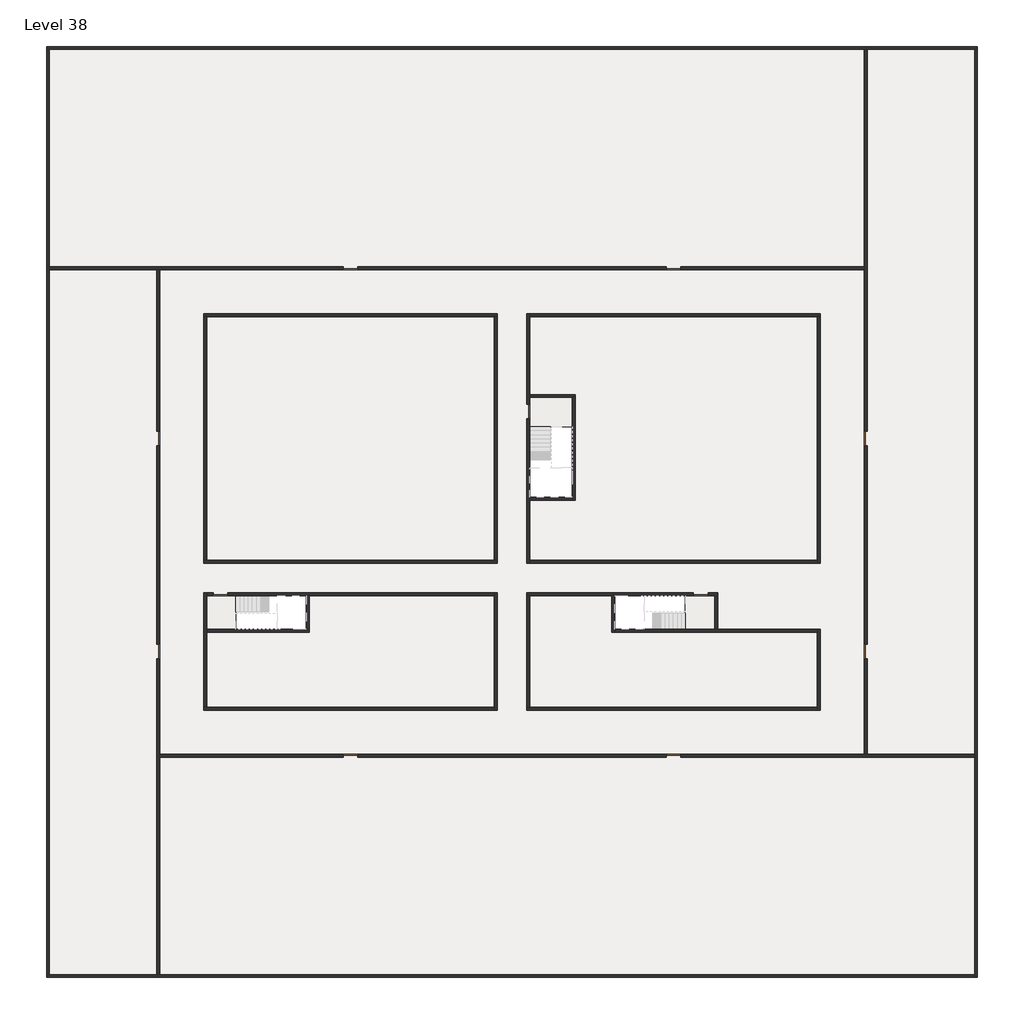
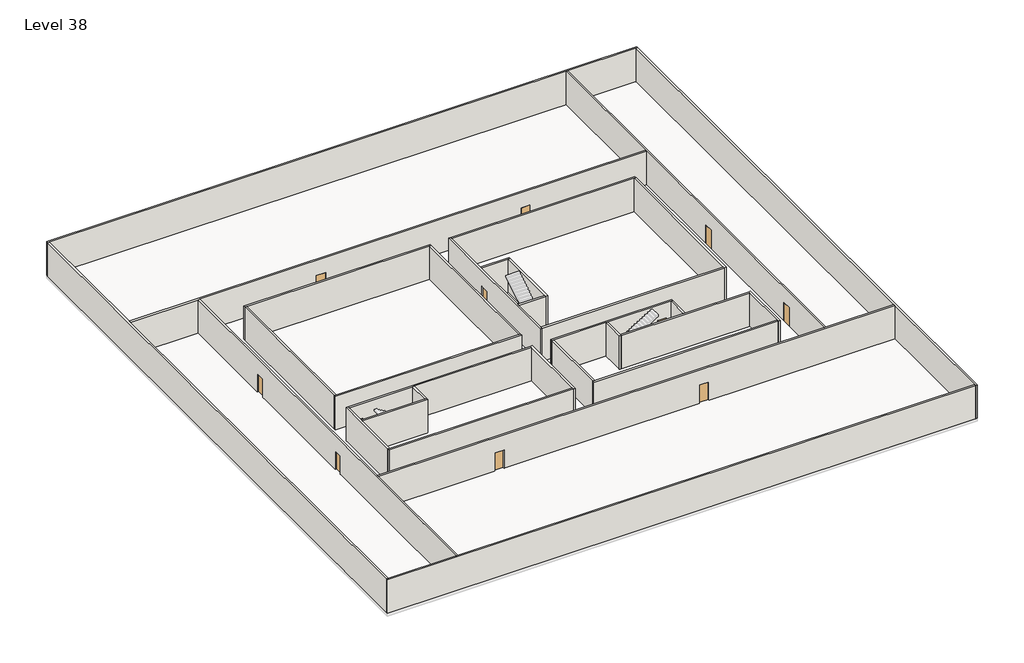
# One storey, part 1 of 2: 32 walls, 11 doors, 1 slab.
"""IFC4 building model written with IfcOpenShell, lengths in millimetres."""

import ifcopenshell
import ifcopenshell.guid

model = None  # the IFC model being written
_history = None  # IfcOwnerHistory: only IFC2X3 demands one
_inside = {}  # id of a spatial element -> (the spatial element, [elements in it])
_under = {}  # id of a project, library or spatial element -> (it, [spatial elements below it])
_declared = {}  # id of a project -> (the project, [libraries it declares])
_typed = {}  # id of a type object -> (the type object, [elements of that type])
_made_of = {}  # id of a material, layer set ... -> (it, [elements and type objects made of it])


def new_model(schema):
    """Start an empty IFC model of exactly this schema.

    Asked for "IFC4X3", IfcOpenShell would pick the latest addendum, in which some entities
    have other attributes; the version numbers below select the first issue.
    IFC2X3 requires an IfcOwnerHistory on every rooted entity: one is made here for all.
    """
    global model, _history
    if schema == "IFC4X3":
        model = ifcopenshell.file(schema_version=(4, 3, 0, 0))
    else:
        model = ifcopenshell.file(schema=schema)
    _inside.clear()
    _under.clear()
    _declared.clear()
    _typed.clear()
    _made_of.clear()
    _history = None
    if model.schema == "IFC2X3":
        org = make("IfcOrganization", Name="unknown")
        user = make(
            "IfcPersonAndOrganization",
            ThePerson=make("IfcPerson", FamilyName="unknown"),
            TheOrganization=org,
        )
        app = make(
            "IfcApplication",
            ApplicationDeveloper=org,
            Version="unknown",
            ApplicationFullName="unknown",
            ApplicationIdentifier="unknown",
        )
        _history = make(
            "IfcOwnerHistory",
            OwningUser=user,
            OwningApplication=app,
            ChangeAction="ADDED",
            CreationDate=0,
        )
    return model


def make(cls, **values):
    """One entity of the class cls with the attributes given. An attribute that is None is left unset."""
    return model.create_entity(
        cls, **{name: value for name, value in values.items() if value is not None}
    )


def rooted(cls, **values):
    """An entity with a GlobalId (a new one), such as an element, a storey or a relation."""
    return make(cls, GlobalId=ifcopenshell.guid.new(), OwnerHistory=_history, **values)


def si_unit(unit_type, name, prefix=None):
    """IfcSIUnit, for example si_unit("LENGTHUNIT", "METRE", prefix="MILLI")."""
    return make("IfcSIUnit", UnitType=unit_type, Prefix=prefix, Name=name)


def assignment(units):
    """IfcUnitAssignment: the units of a project."""
    return None if units is None else make("IfcUnitAssignment", Units=units)


def point(xyz):
    """IfcCartesianPoint."""
    return None if xyz is None else make("IfcCartesianPoint", Coordinates=xyz)


def direction(xyz):
    """IfcDirection."""
    return None if xyz is None else make("IfcDirection", DirectionRatios=xyz)


def frame(location, z_axis=None, x_axis=None):
    """IfcAxis2Placement3D, a coordinate frame: its origin and axes. An axis left out is left unset."""
    return make(
        "IfcAxis2Placement3D",
        Location=point(location),
        Axis=direction(z_axis),
        RefDirection=direction(x_axis),
    )


def origin():
    """The frame at (0, 0, 0) with its axes left unset."""
    return frame((0.0, 0.0, 0.0))


def origin_with_axes():
    """The frame at (0, 0, 0) with the z axis (0, 0, 1) and the x axis (1, 0, 0) written out."""
    return frame((0.0, 0.0, 0.0), z_axis=(0.0, 0.0, 1.0), x_axis=(1.0, 0.0, 0.0))


def place(relative_to, where):
    """IfcLocalPlacement: puts the frame where relative to a parent placement (None: the world)."""
    return make(
        "IfcLocalPlacement", PlacementRelTo=relative_to, RelativePlacement=where
    )


def context(
    kind, dimensions, precision=None, world=None, true_north=None, identifier=None
):
    """IfcGeometricRepresentationContext, for example the 3D "Model" context."""
    return make(
        "IfcGeometricRepresentationContext",
        ContextIdentifier=identifier,
        ContextType=kind,
        CoordinateSpaceDimension=dimensions,
        Precision=precision,
        WorldCoordinateSystem=world,
        TrueNorth=true_north,
    )


def project(units=None, contexts=None):
    """IfcProject with its units and contexts."""
    return rooted(
        "IfcProject",
        Name="project",
        RepresentationContexts=contexts,
        UnitsInContext=assignment(units),
    )


def spatial(cls, under=None, at=None, **own):
    """A site, building, storey or space (cls), placed at a placement, below another one or the project."""
    s = rooted(cls, ObjectPlacement=at, **own)
    if under is not None:
        _under.setdefault(under.id(), (under, []))[1].append(s)
    return s


def polyline(points):
    """IfcPolyline through the points."""
    return make("IfcPolyline", Points=[point(p) for p in points])


def outline(outer, holes=None, kind="AREA"):
    """IfcArbitraryClosedProfileDef: a profile drawn as a closed curve; with holes, ...WithVoids."""
    if holes is None:
        return make("IfcArbitraryClosedProfileDef", ProfileType=kind, OuterCurve=outer)
    return make(
        "IfcArbitraryProfileDefWithVoids",
        ProfileType=kind,
        OuterCurve=outer,
        InnerCurves=holes,
    )


def extrude(swept, where, along, depth):
    """IfcExtrudedAreaSolid: the profile swept, set in the frame where, extruded along a direction by depth."""
    return make(
        "IfcExtrudedAreaSolid",
        SweptArea=swept,
        Position=where,
        ExtrudedDirection=direction(along),
        Depth=depth,
    )


def faces_of(points, faces, orient=None, outer=None):
    """IfcFace entities. A face is a list of loops; a loop is a list of indices into points, from 0.

    orient and outer hold one flag for each loop. By default every Orientation is true, the
    first loop of a face is its IfcFaceOuterBound and the others are IfcFaceBound.
    """
    made = []
    for i, loops in enumerate(faces):
        bounds = []
        for j, loop in enumerate(loops):
            is_outer = j == 0 if outer is None else outer[i][j]
            bounds.append(
                make(
                    "IfcFaceOuterBound" if is_outer else "IfcFaceBound",
                    Bound=make("IfcPolyLoop", Polygon=[points[k] for k in loop]),
                    Orientation=True if orient is None else orient[i][j],
                )
            )
        made.append(make("IfcFace", Bounds=bounds))
    return made


def faceted_brep(points, faces, orient=None, outer=None, voids=None):
    """IfcFacetedBrep: a solid bounded by flat faces; with voids (closed shells), ...WithVoids."""
    shared = [point(p) for p in points]
    hull = make("IfcClosedShell", CfsFaces=faces_of(shared, faces, orient, outer))
    if voids is None:
        return make("IfcFacetedBrep", Outer=hull)
    return make(
        "IfcFacetedBrepWithVoids",
        Outer=hull,
        Voids=[
            make(cls, CfsFaces=faces_of(shared, fs, o, b)) for cls, fs, o, b in voids
        ],
    )


def shape(context_of_items, identifier, shape_type, items):
    """IfcShapeRepresentation: the items that make up one representation, for example the "Body"."""
    return make(
        "IfcShapeRepresentation",
        ContextOfItems=context_of_items,
        RepresentationIdentifier=identifier,
        RepresentationType=shape_type,
        Items=items,
    )


def source(mapping_origin, context_of_items, identifier, shape_type, items):
    """IfcRepresentationMap: a shape defined once, which mapped items show again and again."""
    return make(
        "IfcRepresentationMap",
        MappingOrigin=mapping_origin,
        MappedRepresentation=shape(context_of_items, identifier, shape_type, items),
    )


def transform(
    local_origin,
    x_axis=None,
    y_axis=None,
    z_axis=None,
    scale=None,
    scale2=None,
    scale3=None,
    uniform=True,
):
    """IfcCartesianTransformationOperator3D, or its non-uniform kind. x_axis, y_axis, z_axis: its Axis1, 2, 3."""
    if uniform:
        return make(
            "IfcCartesianTransformationOperator3D",
            Axis1=direction(x_axis),
            Axis2=direction(y_axis),
            LocalOrigin=point(local_origin),
            Scale=scale,
            Axis3=direction(z_axis),
        )
    return make(
        "IfcCartesianTransformationOperator3DnonUniform",
        Axis1=direction(x_axis),
        Axis2=direction(y_axis),
        LocalOrigin=point(local_origin),
        Scale=scale,
        Axis3=direction(z_axis),
        Scale2=scale2,
        Scale3=scale3,
    )


def mapped(mapping_source, mapping_target):
    """IfcMappedItem: shows the shape of a source again, moved by a transform."""
    return make(
        "IfcMappedItem", MappingSource=mapping_source, MappingTarget=mapping_target
    )


def made_of(thing, what):
    """Note that an element or type object is made of a material, layer set ...; save() writes the relation."""
    if what is not None:
        _made_of.setdefault(what.id(), (what, []))[1].append(thing)
    return thing


def element(
    cls,
    number,
    at=None,
    inside=None,
    cuts=None,
    type_object=None,
    material=None,
    context=None,
    identifier="Body",
    shape_type=None,
    held_by="IfcProductDefinitionShape",
    body=None,
    shapes=None,
    **own,
):
    """One element of the class cls, such as IfcWall. Its Tag is "e" and its number.

    at: its placement. inside: the storey or other place that contains it. cuts: it is an
    opening in that element (IfcRelVoidsElement). A single representation is given by context,
    identifier, shape_type and body (its items); several are given by shapes. held_by: the class
    of the entity that holds the representations. save() writes the other relations.
    """
    e = rooted(cls, Tag="e%d" % number, ObjectPlacement=at, **own)
    if body is not None:
        shapes = [shape(context, identifier, shape_type, body)]
    if shapes is not None:
        e.Representation = make(held_by, Representations=shapes)
    if inside is not None:
        _inside.setdefault(inside.id(), (inside, []))[1].append(e)
    if cuts is not None:
        rooted(
            "IfcRelVoidsElement", RelatingBuildingElement=cuts, RelatedOpeningElement=e
        )
    if type_object is not None:
        _typed.setdefault(type_object.id(), (type_object, []))[1].append(e)
    return made_of(e, material)


def aggregate(whole, parts):
    """IfcRelAggregates: a whole, such as a stair, and the parts it consists of."""
    return rooted("IfcRelAggregates", RelatingObject=whole, RelatedObjects=parts)


def save(model, path):
    """Write the relations noted so far, then the file.

    IfcRelAggregates (storeys below a building ...), IfcRelContainedInSpatialStructure (elements
    in a storey), IfcRelDefinesByType, IfcRelAssociatesMaterial and IfcRelDeclares: one each for
    every whole, place, type object, material and project.
    """
    for whole, parts in _under.values():
        aggregate(whole, parts)
    for where, things in _inside.values():
        rooted(
            "IfcRelContainedInSpatialStructure",
            RelatedElements=things,
            RelatingStructure=where,
        )
    for kind, things in _typed.values():
        rooted("IfcRelDefinesByType", RelatedObjects=things, RelatingType=kind)
    for what, things in _made_of.values():
        rooted("IfcRelAssociatesMaterial", RelatedObjects=things, RelatingMaterial=what)
    for by, libraries in _declared.values():
        rooted("IfcRelDeclares", RelatingContext=by, RelatedDefinitions=libraries)
    model.write(path)


def door_fb3c37fd(model_context):
    return source(origin(), model_context, "Body", "SweptSolid", [
        extrude(outline(polyline([(500.0, 49.0), (-500.0, 49.0), (-500.0, 100.0), (500.0, 100.0), (500.0, 49.0)])), origin_with_axes(), (0.0, 0.0, 1.0), 2100.0),
    ])


def door_0317a72c(model_context):
    return source(origin(), model_context, "Body", "SweptSolid", [
        extrude(outline(polyline([(500.0, -49.0), (500.0, -100.0), (-500.0, -100.0), (-500.0, -49.0), (500.0, -49.0)])), origin_with_axes(), (0.0, 0.0, 1.0), 2100.0),
    ])


model = new_model("IFC4")

# Units and contexts
model_context = context("Model", 3, world=origin())
ifc_project = project(units=[si_unit("LENGTHUNIT", "METRE", prefix="MILLI")], contexts=[model_context])

# Site, building, storey
site = spatial("IfcSite", under=ifc_project)
building = spatial("IfcBuilding", under=site)
storey = spatial("IfcBuildingStorey", under=building, Name="Level 38", Elevation=140600.0)

# Doors
placement = place(None, origin())
door_shape = door_fb3c37fd(model_context)
element("IfcDoor", 1, at=placement, inside=storey, context=model_context, shape_type="MappedRepresentation", body=[
    mapped(door_shape, transform((4340.1058784, -42818.09644, 140600.0), x_axis=(-1.0, 0.0, 0.0), y_axis=(0.0, -1.0, 0.0), z_axis=(0.0, 0.0, 1.0))),
])
element("IfcDoor", 2, at=placement, inside=storey, context=model_context, shape_type="MappedRepresentation", body=[
    mapped(door_shape, transform((90.1058784, -32218.09644, 140600.0), x_axis=(0.0, -1.0, 0.0), y_axis=(1.0, 0.0, 0.0), z_axis=(0.0, 0.0, 1.0))),
])
element("IfcDoor", 3, at=placement, inside=storey, context=model_context, shape_type="MappedRepresentation", body=[
    mapped(door_shape, transform((90.1058784, -46718.09644, 140600.0), x_axis=(0.0, -1.0, 0.0), y_axis=(1.0, 0.0, 0.0), z_axis=(0.0, 0.0, 1.0))),
])
element("IfcDoor", 4, at=placement, inside=storey, context=model_context, shape_type="MappedRepresentation", body=[
    mapped(door_shape, transform((13190.1058784, -53818.09644, 140600.0), x_axis=(1.0, 0.0, 0.0), y_axis=(0.0, 1.0, 0.0), z_axis=(0.0, 0.0, 1.0))),
])
element("IfcDoor", 5, at=placement, inside=storey, context=model_context, shape_type="MappedRepresentation", body=[
    mapped(door_shape, transform((35190.1058784, -53818.09644, 140600.0), x_axis=(1.0, 0.0, 0.0), y_axis=(0.0, 1.0, 0.0), z_axis=(0.0, 0.0, 1.0))),
])
element("IfcDoor", 6, at=placement, inside=storey, context=model_context, shape_type="MappedRepresentation", body=[
    mapped(door_shape, transform((35190.1058784, -20618.09644, 140600.0), x_axis=(-1.0, 0.0, 0.0), y_axis=(0.0, -1.0, 0.0), z_axis=(0.0, 0.0, 1.0))),
])
element("IfcDoor", 7, at=placement, inside=storey, context=model_context, shape_type="MappedRepresentation", body=[
    mapped(door_shape, transform((13190.1058784, -20618.09644, 140600.0), x_axis=(-1.0, 0.0, 0.0), y_axis=(0.0, -1.0, 0.0), z_axis=(0.0, 0.0, 1.0))),
])
door_2_shape = door_0317a72c(model_context)
element("IfcDoor", 8, at=placement, inside=storey, context=model_context, shape_type="MappedRepresentation", body=[
    mapped(door_2_shape, transform((25290.1058784, -30368.09644, 140600.0), x_axis=(0.0, 1.0, 0.0), y_axis=(-1.0, 0.0, 0.0), z_axis=(0.0, 0.0, 1.0))),
])
element("IfcDoor", 9, at=placement, inside=storey, context=model_context, shape_type="MappedRepresentation", body=[
    mapped(door_2_shape, transform((37040.1058784, -42818.09644, 140600.0), x_axis=(1.0, 0.0, 0.0), y_axis=(0.0, 1.0, 0.0), z_axis=(0.0, 0.0, 1.0))),
])
element("IfcDoor", 10, at=placement, inside=storey, context=model_context, shape_type="MappedRepresentation", body=[
    mapped(door_2_shape, transform((48290.1058784, -46718.09644, 140600.0), x_axis=(0.0, -1.0, 0.0), y_axis=(1.0, 0.0, 0.0), z_axis=(0.0, 0.0, 1.0))),
])
element("IfcDoor", 11, at=placement, inside=storey, context=model_context, shape_type="MappedRepresentation", body=[
    mapped(door_2_shape, transform((48290.1058784, -32218.09644, 140600.0), x_axis=(0.0, -1.0, 0.0), y_axis=(1.0, 0.0, 0.0), z_axis=(0.0, 0.0, 1.0))),
])

# Slab
element("IfcSlab", 12, at=placement, inside=storey, context=model_context, shape_type="SweptSolid", body=[
    extrude(outline(polyline([(5390.1058784, -42918.09644), (5390.1058784, -45218.09644), (3390.1058784, -45218.09644), (3390.1058784, -42918.09644), (5390.1058784, -42918.09644)])), frame((0.0, 0.0, 140300.0), z_axis=(0.0, 0.0, 1.0), x_axis=(1.0, 0.0, 0.0)), (0.0, 0.0, 1.0), 300.0),
    extrude(outline(polyline([(28290.1058784, -29418.09644), (28290.1058784, -31418.09644), (25390.1058784, -31418.09644), (25390.1058784, -29418.09644), (28290.1058784, -29418.09644)])), frame((0.0, 0.0, 140300.0), z_axis=(0.0, 0.0, 1.0), x_axis=(1.0, 0.0, 0.0)), (0.0, 0.0, 1.0), 300.0),
    extrude(outline(polyline([(37990.1058784, -42918.09644), (37990.1058784, -45218.09644), (35990.1058784, -45218.09644), (35990.1058784, -42918.09644), (37990.1058784, -42918.09644)])), frame((0.0, 0.0, 140300.0), z_axis=(0.0, 0.0, 1.0), x_axis=(1.0, 0.0, 0.0)), (0.0, 0.0, 1.0), 300.0),
])

# Walls
element("IfcWall", 13, at=placement, inside=storey, context=model_context, shape_type="Brep", body=[
    faceted_brep([(-7509.8941216, -5718.09644, 140600.0), (-7309.8941216, -5718.09644, 140600.0), (48190.1058784, -5718.09644, 140600.0), (48390.1058784, -5718.09644, 140600.0), (55690.1058784, -5718.09644, 140600.0), (55890.1058784, -5718.09644, 140600.0), (55890.1058784, -5718.09644, 144400.0), (55690.1058784, -5718.09644, 144400.0), (48390.1058784, -5718.09644, 144400.0), (48190.1058784, -5718.09644, 144400.0), (-7309.8941216, -5718.09644, 144400.0), (-7509.8941216, -5718.09644, 144400.0), (-7509.8941216, -5518.09644, 140600.0), (-7509.8941216, -5518.09644, 144400.0), (55890.1058784, -5518.09644, 144400.0), (55890.1058784, -5518.09644, 140600.0)], [[[0, 1, 2, 3, 4, 5, 6, 7, 8, 9, 10, 11]], [[12, 13, 14, 15]], [[5, 4, 3, 2, 1, 0, 12, 15]], [[11, 10, 9, 8, 7, 6, 14, 13]], [[0, 11, 13, 12]], [[6, 5, 15, 14]]]),
])
element("IfcWall", 14, at=placement, inside=storey, context=model_context, shape_type="Brep", body=[
    faceted_brep([(55690.1058784, -5718.09644, 140600.0), (55690.1058784, -53718.09644, 140600.0), (55690.1058784, -53918.09644, 140600.0), (55690.1058784, -68718.09644, 140600.0), (55690.1058784, -68918.09644, 140600.0), (55690.1058784, -68918.09644, 144400.0), (55690.1058784, -68718.09644, 144400.0), (55690.1058784, -53918.09644, 144400.0), (55690.1058784, -53718.09644, 144400.0), (55690.1058784, -5718.09644, 144400.0), (55890.1058784, -5718.09644, 140600.0), (55890.1058784, -5718.09644, 144400.0), (55890.1058784, -68918.09644, 144400.0), (55890.1058784, -68918.09644, 140600.0)], [[[0, 1, 2, 3, 4, 5, 6, 7, 8, 9]], [[10, 11, 12, 13]], [[4, 3, 2, 1, 0, 10, 13]], [[9, 8, 7, 6, 5, 12, 11]], [[5, 4, 13, 12]], [[0, 9, 11, 10]]]),
])
element("IfcWall", 15, at=placement, inside=storey, context=model_context, shape_type="Brep", body=[
    faceted_brep([(55690.1058784, -68718.09644, 140600.0), (190.1058784, -68718.09644, 140600.0), (-9.8941216, -68718.09644, 140600.0), (-7309.8941216, -68718.09644, 140600.0), (-7509.8941216, -68718.09644, 140600.0), (-7509.8941216, -68718.09644, 144400.0), (-7309.8941216, -68718.09644, 144400.0), (-9.8941216, -68718.09644, 144400.0), (190.1058784, -68718.09644, 144400.0), (55690.1058784, -68718.09644, 144400.0), (55690.1058784, -68918.09644, 140600.0), (55690.1058784, -68918.09644, 144400.0), (-7509.8941216, -68918.09644, 144400.0), (-7509.8941216, -68918.09644, 140600.0)], [[[0, 1, 2, 3, 4, 5, 6, 7, 8, 9]], [[10, 11, 12, 13]], [[4, 3, 2, 1, 0, 10, 13]], [[9, 8, 7, 6, 5, 12, 11]], [[5, 4, 13, 12]], [[0, 9, 11, 10]]]),
])
element("IfcWall", 16, at=placement, inside=storey, context=model_context, shape_type="Brep", body=[
    faceted_brep([(-7309.8941216, -68718.09644, 140600.0), (-7309.8941216, -20718.09644, 140600.0), (-7309.8941216, -20518.09644, 140600.0), (-7309.8941216, -5718.09644, 140600.0), (-7309.8941216, -5718.09644, 144400.0), (-7309.8941216, -20518.09644, 144400.0), (-7309.8941216, -20718.09644, 144400.0), (-7309.8941216, -68718.09644, 144400.0), (-7509.8941216, -68718.09644, 140600.0), (-7509.8941216, -68718.09644, 144400.0), (-7509.8941216, -5718.09644, 144400.0), (-7509.8941216, -5718.09644, 140600.0)], [[[0, 1, 2, 3, 4, 5, 6, 7]], [[8, 9, 10, 11]], [[3, 2, 1, 0, 8, 11]], [[7, 6, 5, 4, 10, 9]], [[0, 7, 9, 8]], [[4, 3, 11, 10]]]),
])
element("IfcWall", 17, at=placement, inside=storey, context=model_context, shape_type="Brep", body=[
    faceted_brep([(3190.1058784, -23918.09644, 140600.0), (3390.1058784, -23918.09644, 140600.0), (22990.1058784, -23918.09644, 140600.0), (23190.1058784, -23918.09644, 140600.0), (23190.1058784, -23918.09644, 144400.0), (22990.1058784, -23918.09644, 144400.0), (3390.1058784, -23918.09644, 144400.0), (3190.1058784, -23918.09644, 144400.0), (3190.1058784, -23718.09644, 140600.0), (3190.1058784, -23718.09644, 144400.0), (23190.1058784, -23718.09644, 144400.0), (23190.1058784, -23718.09644, 140600.0)], [[[0, 1, 2, 3, 4, 5, 6, 7]], [[8, 9, 10, 11]], [[3, 2, 1, 0, 8, 11]], [[7, 6, 5, 4, 10, 9]], [[0, 7, 9, 8]], [[4, 3, 11, 10]]]),
])
element("IfcWall", 18, at=placement, inside=storey, context=model_context, shape_type="Brep", body=[
    faceted_brep([(44990.1058784, -23918.09644, 140600.0), (44990.1058784, -40518.09644, 140600.0), (44990.1058784, -40718.09644, 140600.0), (44990.1058784, -40718.09644, 144400.0), (44990.1058784, -40518.09644, 144400.0), (44990.1058784, -23918.09644, 144400.0), (45190.1058784, -23918.09644, 140600.0), (45190.1058784, -23918.09644, 144400.0), (45190.1058784, -40718.09644, 144400.0), (45190.1058784, -40718.09644, 140600.0)], [[[0, 1, 2, 3, 4, 5]], [[6, 7, 8, 9]], [[2, 1, 0, 6, 9]], [[5, 4, 3, 8, 7]], [[3, 2, 9, 8]], [[0, 5, 7, 6]]]),
])
element("IfcWall", 19, at=placement, inside=storey, context=model_context, shape_type="Brep", body=[
    faceted_brep([(44990.1058784, -50518.09644, 140600.0), (25390.1058784, -50518.09644, 140600.0), (25190.1058784, -50518.09644, 140600.0), (25190.1058784, -50518.09644, 144400.0), (25390.1058784, -50518.09644, 144400.0), (44990.1058784, -50518.09644, 144400.0), (44990.1058784, -50718.09644, 140600.0), (44990.1058784, -50718.09644, 144400.0), (25190.1058784, -50718.09644, 144400.0), (25190.1058784, -50718.09644, 140600.0)], [[[0, 1, 2, 3, 4, 5]], [[6, 7, 8, 9]], [[2, 1, 0, 6, 9]], [[5, 4, 3, 8, 7]], [[3, 2, 9, 8]], [[0, 5, 7, 6]]]),
])
element("IfcWall", 20, at=placement, inside=storey, context=model_context, shape_type="Brep", body=[
    faceted_brep([(3390.1058784, -50518.09644, 140600.0), (3390.1058784, -45418.09644, 140600.0), (3390.1058784, -45218.09644, 140600.0), (3390.1058784, -42918.09644, 140600.0), (3390.1058784, -42718.09644, 140600.0), (3390.1058784, -42718.09644, 144400.0), (3390.1058784, -42918.09644, 144400.0), (3390.1058784, -45218.09644, 144400.0), (3390.1058784, -45418.09644, 144400.0), (3390.1058784, -50518.09644, 144400.0), (3190.1058784, -50518.09644, 140600.0), (3190.1058784, -50518.09644, 144400.0), (3190.1058784, -42718.09644, 144400.0), (3190.1058784, -42718.09644, 140600.0)], [[[0, 1, 2, 3, 4, 5, 6, 7, 8, 9]], [[10, 11, 12, 13]], [[4, 3, 2, 1, 0, 10, 13]], [[9, 8, 7, 6, 5, 12, 11]], [[0, 9, 11, 10]], [[5, 4, 13, 12]]]),
])
element("IfcWall", 21, at=placement, inside=storey, context=model_context, shape_type="SweptSolid", body=[
    extrude(outline(polyline([(22990.1058784, -40518.09644), (22990.1058784, -23918.09644), (23190.1058784, -23918.09644), (23190.1058784, -40518.09644), (22990.1058784, -40518.09644)])), frame((0.0, 0.0, 140600.0), z_axis=(0.0, 0.0, 1.0), x_axis=(1.0, 0.0, 0.0)), (0.0, 0.0, 1.0), 3800.0),
])
element("IfcWall", 22, at=placement, inside=storey, context=model_context, shape_type="Brep", body=[
    faceted_brep([(23190.1058784, -40518.09644, 140600.0), (22990.1058784, -40518.09644, 140600.0), (3390.1058784, -40518.09644, 140600.0), (3190.1058784, -40518.09644, 140600.0), (3190.1058784, -40518.09644, 144400.0), (3390.1058784, -40518.09644, 144400.0), (22990.1058784, -40518.09644, 144400.0), (23190.1058784, -40518.09644, 144400.0), (23190.1058784, -40718.09644, 140600.0), (23190.1058784, -40718.09644, 144400.0), (3190.1058784, -40718.09644, 144400.0), (3190.1058784, -40718.09644, 140600.0)], [[[0, 1, 2, 3, 4, 5, 6, 7]], [[8, 9, 10, 11]], [[3, 2, 1, 0, 8, 11]], [[7, 6, 5, 4, 10, 9]], [[4, 3, 11, 10]], [[0, 7, 9, 8]]]),
])
element("IfcWall", 23, at=placement, inside=storey, context=model_context, shape_type="Brep", body=[
    faceted_brep([(3390.1058784, -42918.09644, 140600.0), (3840.1058784, -42918.09644, 140600.0), (3840.1058784, -42918.09644, 142700.0), (4840.1058784, -42918.09644, 142700.0), (4840.1058784, -42918.09644, 140600.0), (10190.1058784, -42918.09644, 140600.0), (10390.1058784, -42918.09644, 140600.0), (22990.1058784, -42918.09644, 140600.0), (22990.1058784, -42918.09644, 144400.0), (10390.1058784, -42918.09644, 144400.0), (10190.1058784, -42918.09644, 144400.0), (3390.1058784, -42918.09644, 144400.0), (3840.1058784, -42718.09644, 142700.0), (3840.1058784, -42718.09644, 140600.0), (3390.1058784, -42718.09644, 140600.0), (3390.1058784, -42718.09644, 144400.0), (22990.1058784, -42718.09644, 144400.0), (22990.1058784, -42718.09644, 140600.0), (4840.1058784, -42718.09644, 140600.0), (4840.1058784, -42718.09644, 142700.0)], [[[0, 1, 2, 3, 4, 5, 6, 7, 8, 9, 10, 11]], [[12, 13, 14, 15, 16, 17, 18, 19]], [[18, 17, 7, 6, 5, 4]], [[14, 13, 1, 0]], [[11, 10, 9, 8, 16, 15]], [[2, 1, 13, 12]], [[3, 2, 12, 19]], [[4, 3, 19, 18]], [[0, 11, 15, 14]], [[8, 7, 17, 16]]]),
])
element("IfcWall", 24, at=placement, inside=storey, context=model_context, shape_type="SweptSolid", body=[
    extrude(outline(polyline([(25390.1058784, -40518.09644), (44990.1058784, -40518.09644), (44990.1058784, -40718.09644), (25390.1058784, -40718.09644), (25390.1058784, -40518.09644)])), frame((0.0, 0.0, 140600.0), z_axis=(0.0, 0.0, 1.0), x_axis=(1.0, 0.0, 0.0)), (0.0, 0.0, 1.0), 3800.0),
])
element("IfcWall", 25, at=placement, inside=storey, context=model_context, shape_type="Brep", body=[
    faceted_brep([(25390.1058784, -29868.09644, 142700.0), (25390.1058784, -29868.09644, 140600.0), (25390.1058784, -29418.09644, 140600.0), (25390.1058784, -29218.09644, 140600.0), (25390.1058784, -23918.09644, 140600.0), (25390.1058784, -23718.09644, 140600.0), (25390.1058784, -23718.09644, 144400.0), (25390.1058784, -23918.09644, 144400.0), (25390.1058784, -29218.09644, 144400.0), (25390.1058784, -29418.09644, 144400.0), (25390.1058784, -36218.09644, 144400.0), (25390.1058784, -36418.09644, 144400.0), (25390.1058784, -40518.09644, 144400.0), (25390.1058784, -40718.09644, 144400.0), (25390.1058784, -40718.09644, 140600.0), (25390.1058784, -40518.09644, 140600.0), (25390.1058784, -36418.09644, 140600.0), (25390.1058784, -36218.09644, 140600.0), (25390.1058784, -30868.09644, 140600.0), (25390.1058784, -30868.09644, 142700.0), (25190.1058784, -23718.09644, 140600.0), (25190.1058784, -29868.09644, 140600.0), (25190.1058784, -29868.09644, 142700.0), (25190.1058784, -30868.09644, 142700.0), (25190.1058784, -30868.09644, 140600.0), (25190.1058784, -40718.09644, 140600.0), (25190.1058784, -40718.09644, 144400.0), (25190.1058784, -23718.09644, 144400.0)], [[[0, 1, 2, 3, 4, 5, 6, 7, 8, 9, 10, 11, 12, 13, 14, 15, 16, 17, 18, 19]], [[20, 21, 22, 23, 24, 25, 26, 27]], [[5, 4, 3, 2, 1, 21, 20]], [[18, 17, 16, 15, 14, 25, 24]], [[13, 12, 11, 10, 9, 8, 7, 6, 27, 26]], [[22, 21, 1, 0]], [[23, 22, 0, 19]], [[24, 23, 19, 18]], [[14, 13, 26, 25]], [[6, 5, 20, 27]]]),
])
element("IfcWall", 26, at=placement, inside=storey, context=model_context, shape_type="SweptSolid", body=[
    extrude(outline(polyline([(3390.1058784, -23918.09644), (3390.1058784, -40518.09644), (3190.1058784, -40518.09644), (3190.1058784, -23918.09644), (3390.1058784, -23918.09644)])), frame((0.0, 0.0, 140600.0), z_axis=(0.0, 0.0, 1.0), x_axis=(1.0, 0.0, 0.0)), (0.0, 0.0, 1.0), 3800.0),
])
element("IfcWall", 27, at=placement, inside=storey, context=model_context, shape_type="Brep", body=[
    faceted_brep([(25390.1058784, -23918.09644, 140600.0), (44990.1058784, -23918.09644, 140600.0), (45190.1058784, -23918.09644, 140600.0), (45190.1058784, -23918.09644, 144400.0), (44990.1058784, -23918.09644, 144400.0), (25390.1058784, -23918.09644, 144400.0), (25390.1058784, -23718.09644, 140600.0), (25390.1058784, -23718.09644, 144400.0), (45190.1058784, -23718.09644, 144400.0), (45190.1058784, -23718.09644, 140600.0)], [[[0, 1, 2, 3, 4, 5]], [[6, 7, 8, 9]], [[2, 1, 0, 6, 9]], [[5, 4, 3, 8, 7]], [[3, 2, 9, 8]], [[0, 5, 7, 6]]]),
])
element("IfcWall", 28, at=placement, inside=storey, context=model_context, shape_type="Brep", body=[
    faceted_brep([(44990.1058784, -45218.09644, 140600.0), (44990.1058784, -45418.09644, 140600.0), (44990.1058784, -50518.09644, 140600.0), (44990.1058784, -50718.09644, 140600.0), (44990.1058784, -50718.09644, 144400.0), (44990.1058784, -50518.09644, 144400.0), (44990.1058784, -45418.09644, 144400.0), (44990.1058784, -45218.09644, 144400.0), (45190.1058784, -45218.09644, 140600.0), (45190.1058784, -45218.09644, 144400.0), (45190.1058784, -50718.09644, 144400.0), (45190.1058784, -50718.09644, 140600.0)], [[[0, 1, 2, 3, 4, 5, 6, 7]], [[8, 9, 10, 11]], [[3, 2, 1, 0, 8, 11]], [[7, 6, 5, 4, 10, 9]], [[4, 3, 11, 10]], [[0, 7, 9, 8]]]),
])
element("IfcWall", 29, at=placement, inside=storey, context=model_context, shape_type="Brep", body=[
    faceted_brep([(25390.1058784, -29418.09644, 140600.0), (28290.1058784, -29418.09644, 140600.0), (28490.1058784, -29418.09644, 140600.0), (28490.1058784, -29418.09644, 144400.0), (28290.1058784, -29418.09644, 144400.0), (25390.1058784, -29418.09644, 144400.0), (25390.1058784, -29218.09644, 140600.0), (25390.1058784, -29218.09644, 144400.0), (28490.1058784, -29218.09644, 144400.0), (28490.1058784, -29218.09644, 140600.0)], [[[0, 1, 2, 3, 4, 5]], [[6, 7, 8, 9]], [[2, 1, 0, 6, 9]], [[5, 4, 3, 8, 7]], [[3, 2, 9, 8]], [[0, 5, 7, 6]]]),
])
element("IfcWall", 30, at=placement, inside=storey, context=model_context, shape_type="Brep", body=[
    faceted_brep([(28290.1058784, -29418.09644, 140600.0), (28290.1058784, -36218.09644, 140600.0), (28290.1058784, -36418.09644, 140600.0), (28290.1058784, -36418.09644, 144400.0), (28290.1058784, -36218.09644, 144400.0), (28290.1058784, -29418.09644, 144400.0), (28490.1058784, -29418.09644, 140600.0), (28490.1058784, -29418.09644, 144400.0), (28490.1058784, -36418.09644, 144400.0), (28490.1058784, -36418.09644, 140600.0)], [[[0, 1, 2, 3, 4, 5]], [[6, 7, 8, 9]], [[2, 1, 0, 6, 9]], [[5, 4, 3, 8, 7]], [[3, 2, 9, 8]], [[0, 5, 7, 6]]]),
])
element("IfcWall", 31, at=placement, inside=storey, context=model_context, shape_type="SweptSolid", body=[
    extrude(outline(polyline([(25390.1058784, -36218.09644), (28290.1058784, -36218.09644), (28290.1058784, -36418.09644), (25390.1058784, -36418.09644), (25390.1058784, -36218.09644)])), frame((0.0, 0.0, 140600.0), z_axis=(0.0, 0.0, 1.0), x_axis=(1.0, 0.0, 0.0)), (0.0, 0.0, 1.0), 3800.0),
])
element("IfcWall", 32, at=placement, inside=storey, context=model_context, shape_type="Brep", body=[
    faceted_brep([(3390.1058784, -45418.09644, 140600.0), (10390.1058784, -45418.09644, 140600.0), (10390.1058784, -45418.09644, 144400.0), (3390.1058784, -45418.09644, 144400.0), (3390.1058784, -45218.09644, 140600.0), (3390.1058784, -45218.09644, 144400.0), (10190.1058784, -45218.09644, 144400.0), (10390.1058784, -45218.09644, 144400.0), (10390.1058784, -45218.09644, 140600.0), (10190.1058784, -45218.09644, 140600.0)], [[[0, 1, 2, 3]], [[4, 5, 6, 7, 8, 9]], [[1, 0, 4, 9, 8]], [[3, 2, 7, 6, 5]], [[2, 1, 8, 7]], [[0, 3, 5, 4]]]),
])
element("IfcWall", 33, at=placement, inside=storey, context=model_context, shape_type="SweptSolid", body=[
    extrude(outline(polyline([(10390.1058784, -42918.09644), (10390.1058784, -45218.09644), (10190.1058784, -45218.09644), (10190.1058784, -42918.09644), (10390.1058784, -42918.09644)])), frame((0.0, 0.0, 140600.0), z_axis=(0.0, 0.0, 1.0), x_axis=(1.0, 0.0, 0.0)), (0.0, 0.0, 1.0), 3800.0),
])
element("IfcWall", 34, at=placement, inside=storey, context=model_context, shape_type="Brep", body=[
    faceted_brep([(30990.1058784, -42918.09644, 140600.0), (30990.1058784, -45418.09644, 140600.0), (30990.1058784, -45418.09644, 144400.0), (30990.1058784, -42918.09644, 144400.0), (31190.1058784, -42918.09644, 140600.0), (31190.1058784, -42918.09644, 144400.0), (31190.1058784, -45218.09644, 144400.0), (31190.1058784, -45418.09644, 144400.0), (31190.1058784, -45418.09644, 140600.0), (31190.1058784, -45218.09644, 140600.0)], [[[0, 1, 2, 3]], [[4, 5, 6, 7, 8, 9]], [[1, 0, 4, 9, 8]], [[3, 2, 7, 6, 5]], [[2, 1, 8, 7]], [[0, 3, 5, 4]]]),
])
element("IfcWall", 35, at=placement, inside=storey, context=model_context, shape_type="Brep", body=[
    faceted_brep([(31190.1058784, -45418.09644, 140600.0), (44990.1058784, -45418.09644, 140600.0), (44990.1058784, -45418.09644, 144400.0), (31190.1058784, -45418.09644, 144400.0), (31190.1058784, -45218.09644, 140600.0), (31190.1058784, -45218.09644, 144400.0), (37990.1058784, -45218.09644, 144400.0), (38190.1058784, -45218.09644, 144400.0), (44990.1058784, -45218.09644, 144400.0), (44990.1058784, -45218.09644, 140600.0), (38190.1058784, -45218.09644, 140600.0), (37990.1058784, -45218.09644, 140600.0)], [[[0, 1, 2, 3]], [[4, 5, 6, 7, 8, 9, 10, 11]], [[1, 0, 4, 11, 10, 9]], [[3, 2, 8, 7, 6, 5]], [[0, 3, 5, 4]], [[2, 1, 9, 8]]]),
])
element("IfcWall", 36, at=placement, inside=storey, context=model_context, shape_type="SweptSolid", body=[
    extrude(outline(polyline([(25190.1058784, -50518.09644), (25190.1058784, -42918.09644), (25390.1058784, -42918.09644), (25390.1058784, -50518.09644), (25190.1058784, -50518.09644)])), frame((0.0, 0.0, 140600.0), z_axis=(0.0, 0.0, 1.0), x_axis=(1.0, 0.0, 0.0)), (0.0, 0.0, 1.0), 3800.0),
])
element("IfcWall", 37, at=placement, inside=storey, context=model_context, shape_type="Brep", body=[
    faceted_brep([(22990.1058784, -42718.09644, 140600.0), (22990.1058784, -42918.09644, 140600.0), (22990.1058784, -50518.09644, 140600.0), (22990.1058784, -50718.09644, 140600.0), (22990.1058784, -50718.09644, 144400.0), (22990.1058784, -50518.09644, 144400.0), (22990.1058784, -42918.09644, 144400.0), (22990.1058784, -42718.09644, 144400.0), (23190.1058784, -42718.09644, 140600.0), (23190.1058784, -42718.09644, 144400.0), (23190.1058784, -50718.09644, 144400.0), (23190.1058784, -50718.09644, 140600.0)], [[[0, 1, 2, 3, 4, 5, 6, 7]], [[8, 9, 10, 11]], [[3, 2, 1, 0, 8, 11]], [[7, 6, 5, 4, 10, 9]], [[4, 3, 11, 10]], [[0, 7, 9, 8]]]),
])
element("IfcWall", 38, at=placement, inside=storey, context=model_context, shape_type="Brep", body=[
    faceted_brep([(37540.1058784, -42918.09644, 142700.0), (37540.1058784, -42918.09644, 140600.0), (37990.1058784, -42918.09644, 140600.0), (38190.1058784, -42918.09644, 140600.0), (38190.1058784, -42918.09644, 144400.0), (37990.1058784, -42918.09644, 144400.0), (31190.1058784, -42918.09644, 144400.0), (30990.1058784, -42918.09644, 144400.0), (25390.1058784, -42918.09644, 144400.0), (25190.1058784, -42918.09644, 144400.0), (25190.1058784, -42918.09644, 140600.0), (25390.1058784, -42918.09644, 140600.0), (30990.1058784, -42918.09644, 140600.0), (31190.1058784, -42918.09644, 140600.0), (36540.1058784, -42918.09644, 140600.0), (36540.1058784, -42918.09644, 142700.0), (38190.1058784, -42718.09644, 140600.0), (37540.1058784, -42718.09644, 140600.0), (37540.1058784, -42718.09644, 142700.0), (36540.1058784, -42718.09644, 142700.0), (36540.1058784, -42718.09644, 140600.0), (25190.1058784, -42718.09644, 140600.0), (25190.1058784, -42718.09644, 144400.0), (38190.1058784, -42718.09644, 144400.0)], [[[0, 1, 2, 3, 4, 5, 6, 7, 8, 9, 10, 11, 12, 13, 14, 15]], [[16, 17, 18, 19, 20, 21, 22, 23]], [[3, 2, 1, 17, 16]], [[14, 13, 12, 11, 10, 21, 20]], [[9, 8, 7, 6, 5, 4, 23, 22]], [[18, 17, 1, 0]], [[19, 18, 0, 15]], [[20, 19, 15, 14]], [[10, 9, 22, 21]], [[4, 3, 16, 23]]]),
])
element("IfcWall", 39, at=placement, inside=storey, context=model_context, shape_type="Brep", body=[
    faceted_brep([(22990.1058784, -50518.09644, 140600.0), (3390.1058784, -50518.09644, 140600.0), (3190.1058784, -50518.09644, 140600.0), (3190.1058784, -50518.09644, 144400.0), (3390.1058784, -50518.09644, 144400.0), (22990.1058784, -50518.09644, 144400.0), (22990.1058784, -50718.09644, 140600.0), (22990.1058784, -50718.09644, 144400.0), (3190.1058784, -50718.09644, 144400.0), (3190.1058784, -50718.09644, 140600.0)], [[[0, 1, 2, 3, 4, 5]], [[6, 7, 8, 9]], [[2, 1, 0, 6, 9]], [[5, 4, 3, 8, 7]], [[3, 2, 9, 8]], [[0, 5, 7, 6]]]),
])
element("IfcWall", 40, at=placement, inside=storey, context=model_context, shape_type="SweptSolid", body=[
    extrude(outline(polyline([(37990.1058784, -45218.09644), (37990.1058784, -42918.09644), (38190.1058784, -42918.09644), (38190.1058784, -45218.09644), (37990.1058784, -45218.09644)])), frame((0.0, 0.0, 140600.0), z_axis=(0.0, 0.0, 1.0), x_axis=(1.0, 0.0, 0.0)), (0.0, 0.0, 1.0), 3800.0),
])
element("IfcWall", 41, at=placement, inside=storey, context=model_context, shape_type="Brep", body=[
    faceted_brep([(-7309.8941216, -20718.09644, 140600.0), (-9.8941216, -20718.09644, 140600.0), (190.1058784, -20718.09644, 140600.0), (12690.1058784, -20718.09644, 140600.0), (12690.1058784, -20718.09644, 142700.0), (13690.1058784, -20718.09644, 142700.0), (13690.1058784, -20718.09644, 140600.0), (34690.1058784, -20718.09644, 140600.0), (34690.1058784, -20718.09644, 142700.0), (35690.1058784, -20718.09644, 142700.0), (35690.1058784, -20718.09644, 140600.0), (48190.1058784, -20718.09644, 140600.0), (48190.1058784, -20718.09644, 144400.0), (190.1058784, -20718.09644, 144400.0), (-9.8941216, -20718.09644, 144400.0), (-7309.8941216, -20718.09644, 144400.0), (12690.1058784, -20518.09644, 142700.0), (12690.1058784, -20518.09644, 140600.0), (-7309.8941216, -20518.09644, 140600.0), (-7309.8941216, -20518.09644, 144400.0), (48190.1058784, -20518.09644, 144400.0), (48190.1058784, -20518.09644, 140600.0), (35690.1058784, -20518.09644, 140600.0), (35690.1058784, -20518.09644, 142700.0), (34690.1058784, -20518.09644, 142700.0), (34690.1058784, -20518.09644, 140600.0), (13690.1058784, -20518.09644, 140600.0), (13690.1058784, -20518.09644, 142700.0)], [[[0, 1, 2, 3, 4, 5, 6, 7, 8, 9, 10, 11, 12, 13, 14, 15]], [[16, 17, 18, 19, 20, 21, 22, 23, 24, 25, 26, 27]], [[22, 21, 11, 10]], [[26, 25, 7, 6]], [[18, 17, 3, 2, 1, 0]], [[15, 14, 13, 12, 20, 19]], [[12, 11, 21, 20]], [[8, 7, 25, 24]], [[9, 8, 24, 23]], [[10, 9, 23, 22]], [[4, 3, 17, 16]], [[5, 4, 16, 27]], [[6, 5, 27, 26]], [[0, 15, 19, 18]]]),
])
element("IfcWall", 42, at=placement, inside=storey, context=model_context, shape_type="Brep", body=[
    faceted_brep([(48190.1058784, -32718.09644, 142700.0), (48190.1058784, -32718.09644, 140600.0), (48190.1058784, -46218.09644, 140600.0), (48190.1058784, -46218.09644, 142700.0), (48190.1058784, -47218.09644, 142700.0), (48190.1058784, -47218.09644, 140600.0), (48190.1058784, -53718.09644, 140600.0), (48190.1058784, -53718.09644, 144400.0), (48190.1058784, -20718.09644, 144400.0), (48190.1058784, -20518.09644, 144400.0), (48190.1058784, -5718.09644, 144400.0), (48190.1058784, -5718.09644, 140600.0), (48190.1058784, -20518.09644, 140600.0), (48190.1058784, -20718.09644, 140600.0), (48190.1058784, -31718.09644, 140600.0), (48190.1058784, -31718.09644, 142700.0), (48390.1058784, -46218.09644, 140600.0), (48390.1058784, -32718.09644, 140600.0), (48390.1058784, -32718.09644, 142700.0), (48390.1058784, -31718.09644, 142700.0), (48390.1058784, -31718.09644, 140600.0), (48390.1058784, -5718.09644, 140600.0), (48390.1058784, -5718.09644, 144400.0), (48390.1058784, -53718.09644, 144400.0), (48390.1058784, -53718.09644, 140600.0), (48390.1058784, -47218.09644, 140600.0), (48390.1058784, -47218.09644, 142700.0), (48390.1058784, -46218.09644, 142700.0)], [[[0, 1, 2, 3, 4, 5, 6, 7, 8, 9, 10, 11, 12, 13, 14, 15]], [[16, 17, 18, 19, 20, 21, 22, 23, 24, 25, 26, 27]], [[6, 5, 25, 24]], [[2, 1, 17, 16]], [[14, 13, 12, 11, 21, 20]], [[10, 9, 8, 7, 23, 22]], [[7, 6, 24, 23]], [[26, 25, 5, 4]], [[27, 26, 4, 3]], [[16, 27, 3, 2]], [[18, 17, 1, 0]], [[19, 18, 0, 15]], [[20, 19, 15, 14]], [[11, 10, 22, 21]]]),
])
element("IfcWall", 43, at=placement, inside=storey, context=model_context, shape_type="Brep", body=[
    faceted_brep([(55690.1058784, -53718.09644, 140600.0), (48390.1058784, -53718.09644, 140600.0), (48190.1058784, -53718.09644, 140600.0), (35690.1058784, -53718.09644, 140600.0), (35690.1058784, -53718.09644, 142700.0), (34690.1058784, -53718.09644, 142700.0), (34690.1058784, -53718.09644, 140600.0), (13690.1058784, -53718.09644, 140600.0), (13690.1058784, -53718.09644, 142700.0), (12690.1058784, -53718.09644, 142700.0), (12690.1058784, -53718.09644, 140600.0), (190.1058784, -53718.09644, 140600.0), (190.1058784, -53718.09644, 144400.0), (48190.1058784, -53718.09644, 144400.0), (48390.1058784, -53718.09644, 144400.0), (55690.1058784, -53718.09644, 144400.0), (35690.1058784, -53918.09644, 142700.0), (35690.1058784, -53918.09644, 140600.0), (55690.1058784, -53918.09644, 140600.0), (55690.1058784, -53918.09644, 144400.0), (190.1058784, -53918.09644, 144400.0), (190.1058784, -53918.09644, 140600.0), (12690.1058784, -53918.09644, 140600.0), (12690.1058784, -53918.09644, 142700.0), (13690.1058784, -53918.09644, 142700.0), (13690.1058784, -53918.09644, 140600.0), (34690.1058784, -53918.09644, 140600.0), (34690.1058784, -53918.09644, 142700.0)], [[[0, 1, 2, 3, 4, 5, 6, 7, 8, 9, 10, 11, 12, 13, 14, 15]], [[16, 17, 18, 19, 20, 21, 22, 23, 24, 25, 26, 27]], [[22, 21, 11, 10]], [[26, 25, 7, 6]], [[18, 17, 3, 2, 1, 0]], [[15, 14, 13, 12, 20, 19]], [[12, 11, 21, 20]], [[8, 7, 25, 24]], [[9, 8, 24, 23]], [[10, 9, 23, 22]], [[4, 3, 17, 16]], [[5, 4, 16, 27]], [[6, 5, 27, 26]], [[0, 15, 19, 18]]]),
])
element("IfcWall", 44, at=placement, inside=storey, context=model_context, shape_type="Brep", body=[
    faceted_brep([(190.1058784, -68718.09644, 140600.0), (190.1058784, -53918.09644, 140600.0), (190.1058784, -53718.09644, 140600.0), (190.1058784, -47218.09644, 140600.0), (190.1058784, -47218.09644, 142700.0), (190.1058784, -46218.09644, 142700.0), (190.1058784, -46218.09644, 140600.0), (190.1058784, -32718.09644, 140600.0), (190.1058784, -32718.09644, 142700.0), (190.1058784, -31718.09644, 142700.0), (190.1058784, -31718.09644, 140600.0), (190.1058784, -20718.09644, 140600.0), (190.1058784, -20718.09644, 144400.0), (190.1058784, -53718.09644, 144400.0), (190.1058784, -53918.09644, 144400.0), (190.1058784, -68718.09644, 144400.0), (-9.8941216, -47218.09644, 142700.0), (-9.8941216, -47218.09644, 140600.0), (-9.8941216, -68718.09644, 140600.0), (-9.8941216, -68718.09644, 144400.0), (-9.8941216, -20718.09644, 144400.0), (-9.8941216, -20718.09644, 140600.0), (-9.8941216, -31718.09644, 140600.0), (-9.8941216, -31718.09644, 142700.0), (-9.8941216, -32718.09644, 142700.0), (-9.8941216, -32718.09644, 140600.0), (-9.8941216, -46218.09644, 140600.0), (-9.8941216, -46218.09644, 142700.0)], [[[0, 1, 2, 3, 4, 5, 6, 7, 8, 9, 10, 11, 12, 13, 14, 15]], [[16, 17, 18, 19, 20, 21, 22, 23, 24, 25, 26, 27]], [[22, 21, 11, 10]], [[26, 25, 7, 6]], [[18, 17, 3, 2, 1, 0]], [[15, 14, 13, 12, 20, 19]], [[12, 11, 21, 20]], [[8, 7, 25, 24]], [[9, 8, 24, 23]], [[10, 9, 23, 22]], [[4, 3, 17, 16]], [[5, 4, 16, 27]], [[6, 5, 27, 26]], [[0, 15, 19, 18]]]),
])

save(model, "model.ifc")
